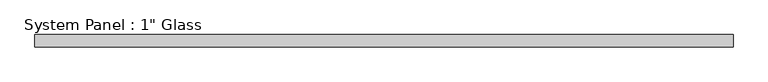
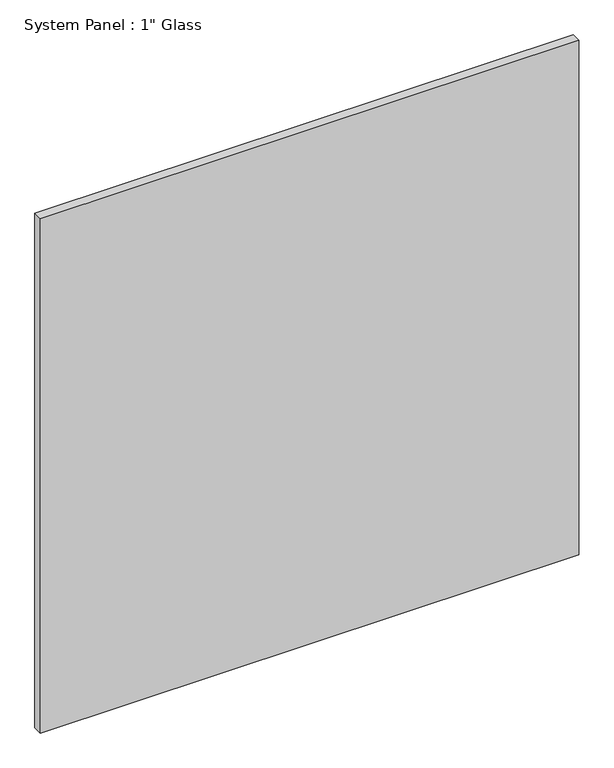
"""IFC4 building model written with IfcOpenShell, lengths in millimetres: plate geometry."""

from ifc_helpers import new_model, si_unit, origin, origin_with_axes, place, context, project, spatial, polyline, outline, extrude, source, transform, mapped, element, save


def plate_af380e0f(model_context):
    return source(origin(), model_context, "Body", "SweptSolid", [
        extrude(outline(polyline([(717.5508852, -12.7), (-717.5508852, -12.7), (-717.5508852, 12.7), (717.5508852, 12.7), (717.5508852, -12.7)])), origin_with_axes(), (0.0, 0.0, 1.0), 1449.8191382),
    ])


if __name__ == "__main__":
    model = new_model("IFC4")
    model_context = context("Model", 3, world=origin())
    ifc_project = project(units=[si_unit("LENGTHUNIT", "METRE", prefix="MILLI")], contexts=[model_context])
    site = spatial("IfcSite", under=ifc_project)
    building = spatial("IfcBuilding", under=site)
    placement = place(None, origin())
    plate_shape = plate_af380e0f(model_context)
    element("IfcPlate", 1, ObjectType="System Panel : 1\" Glass", at=placement, inside=building, context=model_context, shape_type="MappedRepresentation", body=[
        mapped(plate_shape, transform((0.0, 0.0, 0.0), x_axis=(1.0, 0.0, 0.0), y_axis=(0.0, 1.0, 0.0), z_axis=(0.0, 0.0, 1.0))),
    ])
    save(model, "model.ifc")
